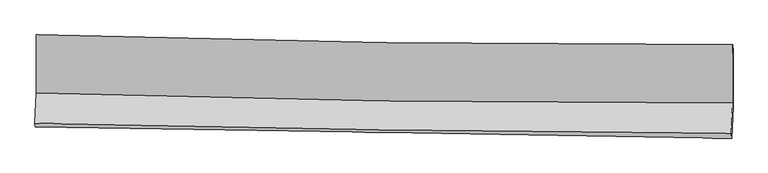
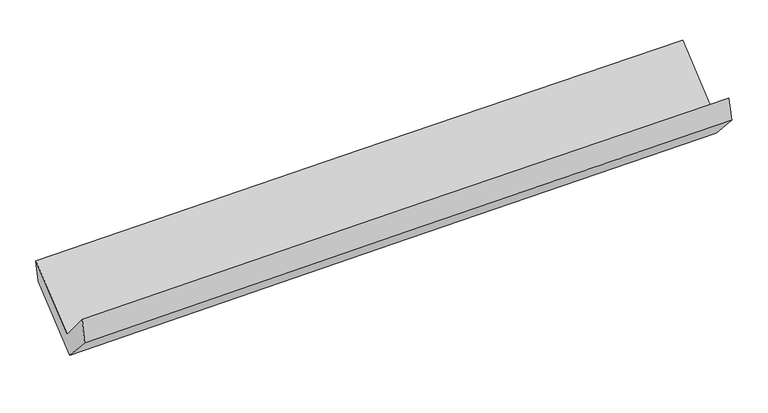
"""IFC4 building model written with IfcOpenShell, lengths in millimetres: proxy geometry."""

import ifcopenshell
import ifcopenshell.guid

model = None  # the IFC model being written
_history = None  # IfcOwnerHistory: only IFC2X3 demands one
_inside = {}  # id of a spatial element -> (the spatial element, [elements in it])
_under = {}  # id of a project, library or spatial element -> (it, [spatial elements below it])
_declared = {}  # id of a project -> (the project, [libraries it declares])
_typed = {}  # id of a type object -> (the type object, [elements of that type])
_made_of = {}  # id of a material, layer set ... -> (it, [elements and type objects made of it])


def new_model(schema):
    """Start an empty IFC model of exactly this schema.

    Asked for "IFC4X3", IfcOpenShell would pick the latest addendum, in which some entities
    have other attributes; the version numbers below select the first issue.
    IFC2X3 requires an IfcOwnerHistory on every rooted entity: one is made here for all.
    """
    global model, _history
    if schema == "IFC4X3":
        model = ifcopenshell.file(schema_version=(4, 3, 0, 0))
    else:
        model = ifcopenshell.file(schema=schema)
    _inside.clear()
    _under.clear()
    _declared.clear()
    _typed.clear()
    _made_of.clear()
    _history = None
    if model.schema == "IFC2X3":
        org = make("IfcOrganization", Name="unknown")
        user = make(
            "IfcPersonAndOrganization",
            ThePerson=make("IfcPerson", FamilyName="unknown"),
            TheOrganization=org,
        )
        app = make(
            "IfcApplication",
            ApplicationDeveloper=org,
            Version="unknown",
            ApplicationFullName="unknown",
            ApplicationIdentifier="unknown",
        )
        _history = make(
            "IfcOwnerHistory",
            OwningUser=user,
            OwningApplication=app,
            ChangeAction="ADDED",
            CreationDate=0,
        )
    return model


def make(cls, **values):
    """One entity of the class cls with the attributes given. An attribute that is None is left unset."""
    return model.create_entity(
        cls, **{name: value for name, value in values.items() if value is not None}
    )


def rooted(cls, **values):
    """An entity with a GlobalId (a new one), such as an element, a storey or a relation."""
    return make(cls, GlobalId=ifcopenshell.guid.new(), OwnerHistory=_history, **values)


def si_unit(unit_type, name, prefix=None):
    """IfcSIUnit, for example si_unit("LENGTHUNIT", "METRE", prefix="MILLI")."""
    return make("IfcSIUnit", UnitType=unit_type, Prefix=prefix, Name=name)


def assignment(units):
    """IfcUnitAssignment: the units of a project."""
    return None if units is None else make("IfcUnitAssignment", Units=units)


def point(xyz):
    """IfcCartesianPoint."""
    return None if xyz is None else make("IfcCartesianPoint", Coordinates=xyz)


def direction(xyz):
    """IfcDirection."""
    return None if xyz is None else make("IfcDirection", DirectionRatios=xyz)


def frame(location, z_axis=None, x_axis=None):
    """IfcAxis2Placement3D, a coordinate frame: its origin and axes. An axis left out is left unset."""
    return make(
        "IfcAxis2Placement3D",
        Location=point(location),
        Axis=direction(z_axis),
        RefDirection=direction(x_axis),
    )


def origin():
    """The frame at (0, 0, 0) with its axes left unset."""
    return frame((0.0, 0.0, 0.0))


def place(relative_to, where):
    """IfcLocalPlacement: puts the frame where relative to a parent placement (None: the world)."""
    return make(
        "IfcLocalPlacement", PlacementRelTo=relative_to, RelativePlacement=where
    )


def context(
    kind, dimensions, precision=None, world=None, true_north=None, identifier=None
):
    """IfcGeometricRepresentationContext, for example the 3D "Model" context."""
    return make(
        "IfcGeometricRepresentationContext",
        ContextIdentifier=identifier,
        ContextType=kind,
        CoordinateSpaceDimension=dimensions,
        Precision=precision,
        WorldCoordinateSystem=world,
        TrueNorth=true_north,
    )


def project(units=None, contexts=None):
    """IfcProject with its units and contexts."""
    return rooted(
        "IfcProject",
        Name="project",
        RepresentationContexts=contexts,
        UnitsInContext=assignment(units),
    )


def spatial(cls, under=None, at=None, **own):
    """A site, building, storey or space (cls), placed at a placement, below another one or the project."""
    s = rooted(cls, ObjectPlacement=at, **own)
    if under is not None:
        _under.setdefault(under.id(), (under, []))[1].append(s)
    return s


def shape(context_of_items, identifier, shape_type, items):
    """IfcShapeRepresentation: the items that make up one representation, for example the "Body"."""
    return make(
        "IfcShapeRepresentation",
        ContextOfItems=context_of_items,
        RepresentationIdentifier=identifier,
        RepresentationType=shape_type,
        Items=items,
    )


def source(mapping_origin, context_of_items, identifier, shape_type, items):
    """IfcRepresentationMap: a shape defined once, which mapped items show again and again."""
    return make(
        "IfcRepresentationMap",
        MappingOrigin=mapping_origin,
        MappedRepresentation=shape(context_of_items, identifier, shape_type, items),
    )


def transform(
    local_origin,
    x_axis=None,
    y_axis=None,
    z_axis=None,
    scale=None,
    scale2=None,
    scale3=None,
    uniform=True,
):
    """IfcCartesianTransformationOperator3D, or its non-uniform kind. x_axis, y_axis, z_axis: its Axis1, 2, 3."""
    if uniform:
        return make(
            "IfcCartesianTransformationOperator3D",
            Axis1=direction(x_axis),
            Axis2=direction(y_axis),
            LocalOrigin=point(local_origin),
            Scale=scale,
            Axis3=direction(z_axis),
        )
    return make(
        "IfcCartesianTransformationOperator3DnonUniform",
        Axis1=direction(x_axis),
        Axis2=direction(y_axis),
        LocalOrigin=point(local_origin),
        Scale=scale,
        Axis3=direction(z_axis),
        Scale2=scale2,
        Scale3=scale3,
    )


def mapped(mapping_source, mapping_target):
    """IfcMappedItem: shows the shape of a source again, moved by a transform."""
    return make(
        "IfcMappedItem", MappingSource=mapping_source, MappingTarget=mapping_target
    )


def made_of(thing, what):
    """Note that an element or type object is made of a material, layer set ...; save() writes the relation."""
    if what is not None:
        _made_of.setdefault(what.id(), (what, []))[1].append(thing)
    return thing


def element(
    cls,
    number,
    at=None,
    inside=None,
    cuts=None,
    type_object=None,
    material=None,
    context=None,
    identifier="Body",
    shape_type=None,
    held_by="IfcProductDefinitionShape",
    body=None,
    shapes=None,
    **own,
):
    """One element of the class cls, such as IfcWall. Its Tag is "e" and its number.

    at: its placement. inside: the storey or other place that contains it. cuts: it is an
    opening in that element (IfcRelVoidsElement). A single representation is given by context,
    identifier, shape_type and body (its items); several are given by shapes. held_by: the class
    of the entity that holds the representations. save() writes the other relations.
    """
    e = rooted(cls, Tag="e%d" % number, ObjectPlacement=at, **own)
    if body is not None:
        shapes = [shape(context, identifier, shape_type, body)]
    if shapes is not None:
        e.Representation = make(held_by, Representations=shapes)
    if inside is not None:
        _inside.setdefault(inside.id(), (inside, []))[1].append(e)
    if cuts is not None:
        rooted(
            "IfcRelVoidsElement", RelatingBuildingElement=cuts, RelatedOpeningElement=e
        )
    if type_object is not None:
        _typed.setdefault(type_object.id(), (type_object, []))[1].append(e)
    return made_of(e, material)


def aggregate(whole, parts):
    """IfcRelAggregates: a whole, such as a stair, and the parts it consists of."""
    return rooted("IfcRelAggregates", RelatingObject=whole, RelatedObjects=parts)


def save(model, path):
    """Write the relations noted so far, then the file.

    IfcRelAggregates (storeys below a building ...), IfcRelContainedInSpatialStructure (elements
    in a storey), IfcRelDefinesByType, IfcRelAssociatesMaterial and IfcRelDeclares: one each for
    every whole, place, type object, material and project.
    """
    for whole, parts in _under.values():
        aggregate(whole, parts)
    for where, things in _inside.values():
        rooted(
            "IfcRelContainedInSpatialStructure",
            RelatedElements=things,
            RelatingStructure=where,
        )
    for kind, things in _typed.values():
        rooted("IfcRelDefinesByType", RelatedObjects=things, RelatingType=kind)
    for what, things in _made_of.values():
        rooted("IfcRelAssociatesMaterial", RelatedObjects=things, RelatingMaterial=what)
    for by, libraries in _declared.values():
        rooted("IfcRelDeclares", RelatingContext=by, RelatedDefinitions=libraries)
    model.write(path)


def plane_surface(at):
    """IfcPlane: the flat surface through the origin of the frame at, square to its z axis."""
    return make("IfcPlane", Position=at)


def spline_curve(degree, points, multiplicities, knots, weights=None):
    """IfcBSplineCurveWithKnots; with weights, IfcRationalBSplineCurveWithKnots."""
    own = dict(
        Degree=degree,
        ControlPointsList=[point(p) for p in points],
        CurveForm="UNSPECIFIED",
        ClosedCurve=False,
        SelfIntersect=False,
        KnotMultiplicities=multiplicities,
        Knots=knots,
        KnotSpec="UNSPECIFIED",
    )
    if weights is None:
        return make("IfcBSplineCurveWithKnots", **own)
    return make("IfcRationalBSplineCurveWithKnots", WeightsData=weights, **own)


def spline_surface(u_degree, v_degree, points, u_multiplicities, v_multiplicities, u_knots, v_knots, weights=None):
    """IfcBSplineSurfaceWithKnots; with weights, IfcRationalBSplineSurfaceWithKnots. points: one row for each step in u."""
    own = dict(
        UDegree=u_degree,
        VDegree=v_degree,
        ControlPointsList=[[point(p) for p in row] for row in points],
        SurfaceForm="UNSPECIFIED",
        UClosed=False,
        VClosed=False,
        SelfIntersect=False,
        UMultiplicities=u_multiplicities,
        VMultiplicities=v_multiplicities,
        UKnots=u_knots,
        VKnots=v_knots,
        KnotSpec="UNSPECIFIED",
    )
    if weights is None:
        return make("IfcBSplineSurfaceWithKnots", **own)
    return make("IfcRationalBSplineSurfaceWithKnots", WeightsData=weights, **own)


def advanced_brep(points, edges, surfaces, faces):
    """IfcAdvancedBrep: a solid bounded by faces that lie on surfaces and meet in shared edges.

    An edge is (start, end): straight between two places in points (the first is 0);
    or (start, end, curve); or (start, end, curve, False) where it runs against its curve.
    A face is (place in surfaces, loops), or (place, loops, False) where it looks against
    its surface's normal. A loop lists edges by number (the first is 1), with a minus sign
    where the edge is run from its end to its start. The first loop is the outer one.
    """
    corners = [point(p) for p in points]
    vertices = [make("IfcVertexPoint", VertexGeometry=c) for c in corners]
    made = []
    for start, end, *more in edges:
        made.append(
            make(
                "IfcEdgeCurve",
                EdgeStart=vertices[start],
                EdgeEnd=vertices[end],
                EdgeGeometry=more[0] if more else make("IfcPolyline", Points=[corners[start], corners[end]]),
                SameSense=more[1] if len(more) > 1 else True,
            )
        )
    hull = []
    for where, loops, *sense in faces:
        bounds = []
        for j, loop in enumerate(loops):
            ring = [make("IfcOrientedEdge", EdgeElement=made[abs(k) - 1], Orientation=k > 0) for k in loop]
            bounds.append(
                make(
                    "IfcFaceOuterBound" if j == 0 else "IfcFaceBound",
                    Bound=make("IfcEdgeLoop", EdgeList=ring),
                    Orientation=True,
                )
            )
        hull.append(make("IfcAdvancedFace", Bounds=bounds, FaceSurface=surfaces[where], SameSense=sense[0] if sense else True))
    return make("IfcAdvancedBrep", Outer=make("IfcClosedShell", CfsFaces=hull))


def generic_models_0ac3e50e(model_context):
    return source(origin(), model_context, "Body", "AdvancedBrep", [
        advanced_brep(
        [(-3028.343942, -1161.6857603, 2163.612803), (-3026.6963251, -1668.0044438, 1740.7480116), (3017.0799862, -1754.3510592, 1879.5148949), (3017.370875, -1248.2801595, 2302.2424797), (-3038.0371196, -1931.8916413, 2055.2027635), (3005.7494631, -2018.1421424, 2193.855125), (-3033.5806708, -1963.7753848, 1837.7448891), (3009.0286501, -2061.039424, 1999.9990845), (-3022.8026752, -1699.7959593, 1548.0280372), (3020.1257526, -1790.2771368, 1702.8381952), (-3024.6006221, -1192.1020722, 1978.4358875), (3020.2785086, -1299.7796211, 2118.7358865)],
        [
            (0, 1),
            (1, 2, spline_curve(3, [(-3026.6963251, -1668.0044438, 1740.7480116), (-2020.26414868, -1698.960550785, 1783.182933884), (-1013.485374899, -1721.634339925, 1815.963979037), (1001.106493794, -1750.422156663, 1862.22614785), (2008.919823978, -1756.530572738, 1875.700730499), (3017.0799862, -1754.3510592, 1879.5148949)], [4, 2, 4], [0.0, 9.918779137125904, 19.84091789998759])),
            (2, 3),
            (3, 0, spline_curve(3, [(3017.370875, -1248.2801595, 2302.2424797), (2008.865493127, -1250.489320719, 2298.391131092), (1000.717985579, -1244.37507041, 2284.909397275), (-1014.520044271, -1215.504634767, 2238.692984264), (-2021.610809322, -1192.754085707, 2205.964826112), (-3028.343942, -1161.6857603, 2163.612803)], [4, 2, 4], [0.0, 9.922138762861687, 19.84091789998759])),
            (1, 4),
            (4, 5, spline_curve(3, [(-3038.0371196, -1931.8916413, 2055.2027635), (-2031.233855741, -1954.232895883, 2087.372010344), (-1024.268651362, -1972.590522617, 2115.009808332), (990.326766658, -2001.343388453, 2161.230332503), (1997.957089784, -2011.735929034, 2179.809988344), (3005.7494631, -2018.1421424, 2193.855125)], [4, 2, 4], [0.0, 9.916777834210833, 19.836914616288865])),
            (5, 2),
            (4, 6),
            (6, 7, spline_curve(3, [(-3033.5806708, -1963.7753848, 1837.7448891), (-2026.746589237, -1979.968033118, 1869.729714749), (-1019.864045602, -1996.168320214, 1899.241439804), (994.339028863, -2028.589661231, 1953.327847347), (2001.659591634, -2044.810720837, 1977.900853995), (3009.0286501, -2061.039424, 1999.9990845)], [4, 2, 4], [0.0, 9.916010806414391, 19.835380300893206])),
            (7, 5),
            (6, 8),
            (8, 9, spline_curve(3, [(-3022.8026752, -1699.7959593, 1548.0280372), (-2015.732458561, -1710.369399275, 1573.845831569), (-1008.705243954, -1723.194559686, 1599.653392361), (1005.604261037, -1753.353426259, 1651.256785346), (2012.886522474, -1770.688658625, 1677.05261046), (3020.1257526, -1790.2771368, 1702.8381952)], [4, 2, 4], [0.0, 9.915619282916111, 19.8345971212823])),
            (9, 7),
            (8, 10),
            (10, 11, spline_curve(3, [(-3024.6006221, -1192.1020722, 1978.4358875), (-2017.226688816, -1199.458405706, 2006.992457214), (-1009.885086336, -1212.107286037, 2032.960867404), (1005.074645521, -1247.996216369, 2079.729287006), (2012.692753424, -1271.239852332, 2100.527543533), (3020.2785086, -1299.7796211, 2118.7358865)], [4, 2, 4], [0.0, 9.917238545045585, 19.83783619400741])),
            (11, 9),
            (10, 0),
            (3, 11),
        ],
        [
            spline_surface(3, 3, [[(-3028.343942, -1161.6857603, 2163.612803), (-2021.61080916, -1192.754085618, 2205.964826099), (-1014.520044357, -1215.504634898, 2238.692984359), (1000.717985665, -1244.37507028, 2284.90939718), (2008.865493197, -1250.489320721, 2298.391131123), (3017.370875, -1248.2801595, 2302.2424797)], [(-3027.794736371, -1330.458654813, 2022.65787256), (-2021.161922347, -1361.489574032, 2065.037528765), (-1014.175154591, -1384.214536544, 2097.783315921), (1000.847488401, -1413.057432384, 2144.01498069), (2008.883603459, -1419.169738061, 2157.49433091), (3017.273912063, -1416.970459413, 2161.333284772)], [(-3027.245530729, -1499.231549287, 1881.70294204), (-2020.713035519, -1530.225062409, 1924.110231351), (-1013.830264785, -1552.924438269, 1956.873647549), (1000.976991178, -1581.739794568, 2003.120564267), (2008.901713732, -1587.850155362, 2016.597530679), (3017.176949137, -1585.660759287, 2020.424089828)], [(-3026.6963251, -1668.0044438, 1740.7480116), (-2020.264148706, -1698.960550824, 1783.182934017), (-1013.485375019, -1721.634339915, 1815.96397911), (1001.106493914, -1750.422156673, 1862.226147777), (2008.919823993, -1756.530572702, 1875.700730465), (3017.0799862, -1754.3510592, 1879.5148949)]], [4, 4], [4, 2, 4], [0.0, 2.1633810000939397], [0.0, 9.918779137125904, 19.84091789998759]),
            spline_surface(3, 3, [[(-3026.6963251, -1668.0044438, 1740.7480116), (-2020.264148706, -1698.960550824, 1783.182934017), (-1013.485375019, -1721.634339915, 1815.96397911), (1001.106493914, -1750.422156673, 1862.226147777), (2008.919823993, -1756.530572702, 1875.700730465), (3017.0799862, -1754.3510592, 1879.5148949)], [(-3030.476589935, -1755.966842964, 1845.566262233), (-2023.920717708, -1784.051332501, 1884.579292837), (-1017.079800413, -1805.286400788, 1915.645922225), (997.513251489, -1834.06256733, 1961.894209355), (2005.265579226, -1841.599024796, 1977.070483096), (3013.303145162, -1842.28142026, 1984.294971582)], [(-3034.256854765, -1843.929242136, 1950.384512867), (-2027.577286707, -1869.142114186, 1985.975651656), (-1020.674225879, -1888.938461607, 2015.327865274), (993.920008993, -1917.702977933, 2061.562270867), (2001.611334473, -1926.66747691, 2078.440235782), (3009.526304138, -1930.21178134, 2089.075048318)], [(-3038.0371196, -1931.8916413, 2055.2027635), (-2031.233855709, -1954.232895863, 2087.372010475), (-1024.268651273, -1972.59052248, 2115.00980839), (990.326766569, -2001.34338859, 2161.230332446), (1997.957089706, -2011.735929003, 2179.809988413), (3005.7494631, -2018.1421424, 2193.855125)]], [4, 4], [4, 2, 4], [0.0, 1.281219117426125], [0.0, 9.916777834210833, 19.836914616288865]),
            spline_surface(3, 3, [[(-3038.0371196, -1931.8916413, 2055.2027635), (-2031.233855709, -1954.232895863, 2087.372010475), (-1024.268651273, -1972.59052248, 2115.00980839), (990.326766569, -2001.34338859, 2161.230332446), (1997.957089706, -2011.735929003, 2179.809988413), (3005.7494631, -2018.1421424, 2193.855125)], [(-3036.55163668, -1942.519555799, 1982.716805339), (-2029.73810026, -1962.811274952, 2014.824578547), (-1022.800449331, -1980.449788359, 2043.087018868), (991.664187281, -2010.425479511, 2091.929504056), (1999.191257066, -2022.760859591, 2112.506943621), (3006.842525444, -2032.441236273, 2129.236444851)], [(-3035.06615372, -1953.147470301, 1910.230847261), (-2028.242344773, -1971.389654045, 1942.277146703), (-1021.332247387, -1988.309054226, 1971.164229372), (993.001607994, -2019.507570418, 2022.62867569), (2000.425424395, -2033.785790162, 2045.203898776), (3007.935587756, -2046.740330127, 2064.617764649)], [(-3033.5806708, -1963.7753848, 1837.7448891), (-2026.746589324, -1979.968033134, 1869.729714775), (-1019.864045445, -1996.168320106, 1899.24143985), (994.339028706, -2028.589661339, 1953.327847301), (2001.659591755, -2044.81072075, 1977.900853984), (3009.0286501, -2061.039424, 1999.9990845)]], [4, 4], [4, 2, 4], [0.0, 0.700113070266038], [0.0, 9.916010806414391, 19.835380300893206]),
            spline_surface(3, 3, [[(-3033.5806708, -1963.7753848, 1837.7448891), (-2026.746589324, -1979.968033134, 1869.729714775), (-1019.864045445, -1996.168320106, 1899.24143985), (994.339028706, -2028.589661339, 1953.327847301), (2001.659591755, -2044.81072075, 1977.900853984), (3009.0286501, -2061.039424, 1999.9990845)], [(-3029.988005581, -1875.782242968, 1741.172605134), (-2023.075212422, -1890.101821895, 1771.101753682), (-1016.144444962, -1905.177066558, 1799.378757355), (998.094106157, -1936.84424967, 1852.637493304), (2005.401901935, -1953.436700089, 1877.618106119), (3012.727684251, -1970.785328266, 1900.945454725)], [(-3026.395340419, -1787.789101132, 1644.600321166), (-2019.403835578, -1800.235610651, 1672.473792587), (-1012.424844468, -1814.185813085, 1699.516074876), (1001.849183618, -1845.098838077, 1751.947139323), (2009.144212162, -1862.06267943, 1777.33535828), (3016.426718449, -1880.531232534, 1801.891824975)], [(-3022.8026752, -1699.7959593, 1548.0280372), (-2015.732458676, -1710.369399411, 1573.845831494), (-1008.705243985, -1723.194559536, 1599.653392381), (1005.604261068, -1753.353426408, 1651.256785326), (2012.886522342, -1770.68865877, 1677.052610416), (3020.1257526, -1790.2771368, 1702.8381952)]], [4, 4], [4, 2, 4], [0.0, 1.3357416686909367], [0.0, 9.915619282916111, 19.8345971212823]),
            spline_surface(3, 3, [[(-3022.8026752, -1699.7959593, 1548.0280372), (-2015.732458676, -1710.369399411, 1573.845831494), (-1008.705243985, -1723.194559536, 1599.653392381), (1005.604261068, -1753.353426408, 1651.256785326), (2012.886522342, -1770.68865877, 1677.052610416), (3020.1257526, -1790.2771368, 1702.8381952)], [(-3023.401990843, -1530.564663592, 1691.497320662), (-2016.230535404, -1540.065734874, 1718.228040097), (-1009.09852484, -1552.832135023, 1744.08921736), (1005.42772258, -1584.90102307, 1794.080952626), (2012.821932758, -1604.205723345, 1818.210921444), (3020.176671288, -1626.777964904, 1841.470758972)], [(-3024.001306457, -1361.333367908, 1834.966604038), (-2016.728612105, -1369.762070361, 1862.610248614), (-1009.49180563, -1382.469710518, 1888.525042271), (1005.251184157, -1416.44861974, 1936.905119858), (2012.757343108, -1437.722787906, 1959.369232455), (3020.227589912, -1463.278792996, 1980.103322728)], [(-3024.6006221, -1192.1020722, 1978.4358875), (-2017.226688834, -1199.458405824, 2006.992457218), (-1009.885086485, -1212.107286005, 2032.960867251), (1005.07464567, -1247.996216401, 2079.729287159), (2012.692753523, -1271.239852482, 2100.527543483), (3020.2785086, -1299.7796211, 2118.7358865)]], [4, 4], [4, 2, 4], [0.0, 2.1860220890249438], [0.0, 9.917238545045585, 19.83783619400741]),
            spline_surface(3, 3, [[(-3024.6006221, -1192.1020722, 1978.4358875), (-2017.226688834, -1199.458405824, 2006.992457218), (-1009.885086485, -1212.107286005, 2032.960867251), (1005.07464567, -1247.996216401, 2079.729287159), (2012.692753523, -1271.239852482, 2100.527543483), (3020.2785086, -1299.7796211, 2118.7358865)], [(-3025.848395391, -1181.963301564, 2040.161525971), (-2018.688062267, -1197.223632419, 2073.316580149), (-1011.430072427, -1213.239735667, 2101.538239611), (1003.622425683, -1246.789167726, 2148.122657157), (2011.417000074, -1264.323008546, 2166.482072694), (3019.309297392, -1282.613133884, 2179.904750898)], [(-3027.096168709, -1171.824530936, 2101.887164529), (-2020.149435727, -1194.988859022, 2139.640703167), (-1012.975058414, -1214.372185235, 2170.115611999), (1002.170205652, -1245.582118955, 2216.516027182), (2010.141246647, -1257.406164657, 2232.436601912), (3018.340086208, -1265.446646716, 2241.073615302)], [(-3028.343942, -1161.6857603, 2163.612803), (-2021.61080916, -1192.754085618, 2205.964826099), (-1014.520044357, -1215.504634898, 2238.692984359), (1000.717985665, -1244.37507028, 2284.90939718), (2008.865493197, -1250.489320721, 2298.391131123), (3017.370875, -1248.2801595, 2302.2424797)]], [4, 4], [4, 2, 4], [0.0, 0.6742297655038595], [0.0, 9.91928761516, 19.841935028284226]),
            plane_surface(frame((3014.9388726, -1695.3115905, 2032.8642776), z_axis=(0.9996189582155215, -0.018032074366426055, 0.020899346165841208), x_axis=(0.0002375362354670397, 0.7627254147598838, 0.6467224174681904))),
            plane_surface(frame((-3029.0102258, -1602.8758769, 1887.2953987), z_axis=(-0.9996153365526208, 0.01578962414713217, -0.022800585476763217), x_axis=(0.019943562939425386, -0.16205124097904997, -0.986580787160601))),
        ],
        [
            (0, [[1, 2, 3, 4]]),
            (1, [[5, 6, 7, -2]]),
            (2, [[8, 9, 10, -6]]),
            (3, [[11, 12, 13, -9]]),
            (4, [[14, 15, 16, -12]]),
            (5, [[17, -4, 18, -15]]),
            (6, [[-16, -18, -3, -7, -10, -13]]),
            (7, [[-17, -14, -11, -8, -5, -1]]),
        ],
    ),
    ])


if __name__ == "__main__":
    model = new_model("IFC4")
    model_context = context("Model", 3, world=origin())
    ifc_project = project(units=[si_unit("LENGTHUNIT", "METRE", prefix="MILLI")], contexts=[model_context])
    site = spatial("IfcSite", under=ifc_project)
    building = spatial("IfcBuilding", under=site)
    placement = place(None, origin())
    generic_models_shape = generic_models_0ac3e50e(model_context)
    element("IfcBuildingElementProxy", 1, Name="Generic Models", at=placement, inside=building, context=model_context, shape_type="MappedRepresentation", body=[
        mapped(generic_models_shape, transform((0.0, 0.0, 0.0), x_axis=(1.0, 0.0, 0.0), y_axis=(0.0, 1.0, 0.0), z_axis=(0.0, 0.0, 1.0))),
    ])
    save(model, "model.ifc")
